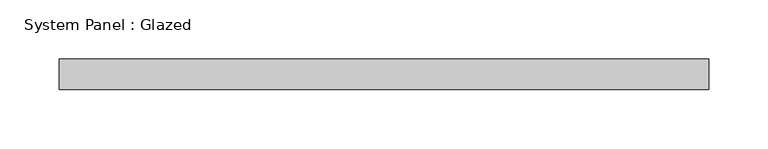
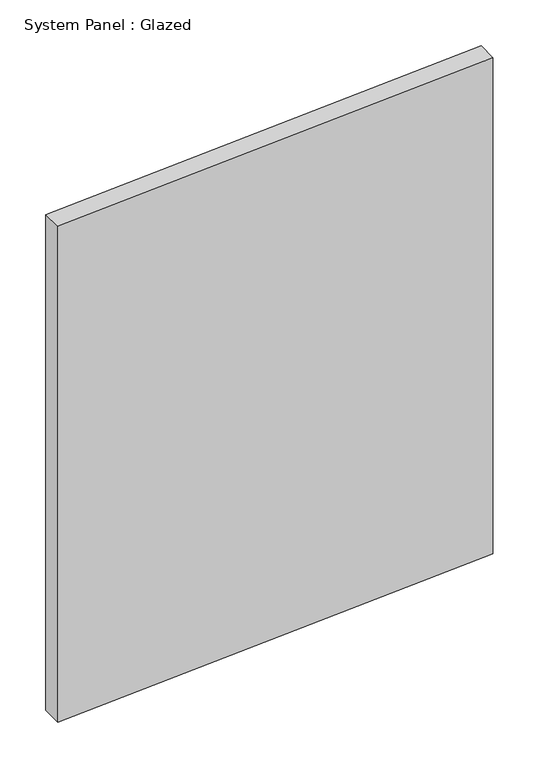
"""IFC4 building model written with IfcOpenShell, lengths in millimetres: plate geometry, System Panel : Glazed."""

from ifc_helpers import new_model, si_unit, frame, origin, place, context, project, spatial, polyline, outline, extrude, source, transform, mapped, element, save


def system_panel_glazed_3f17419e(model_context):
    return source(origin(), model_context, "Body", "SweptSolid", [
        extrude(outline(polyline([(0.0, -273.05), (32.3022749, 273.05), (690.4421251, 273.05), (657.7202324, -273.05), (0.0, -273.05)])), frame((0.0, 19.05, 0.0), z_axis=(0.0, 1.0, 0.0), x_axis=(0.0, 0.0, 1.0)), (0.0, 0.0, 1.0), 25.4),
    ])


if __name__ == "__main__":
    model = new_model("IFC4")
    model_context = context("Model", 3, world=origin())
    ifc_project = project(units=[si_unit("LENGTHUNIT", "METRE", prefix="MILLI")], contexts=[model_context])
    site = spatial("IfcSite", under=ifc_project)
    building = spatial("IfcBuilding", under=site)
    placement = place(None, origin())
    system_panel_glazed_shape = system_panel_glazed_3f17419e(model_context)
    element("IfcPlate", 1, ObjectType="System Panel : Glazed", at=placement, inside=building, context=model_context, shape_type="MappedRepresentation", body=[
        mapped(system_panel_glazed_shape, transform((0.0, 0.0, 0.0), x_axis=(1.0, 0.0, 0.0), y_axis=(0.0, 1.0, 0.0), z_axis=(0.0, 0.0, 1.0))),
    ])
    save(model, "model.ifc")
